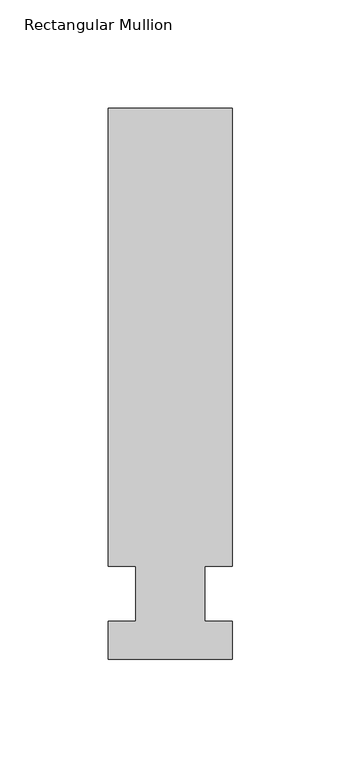
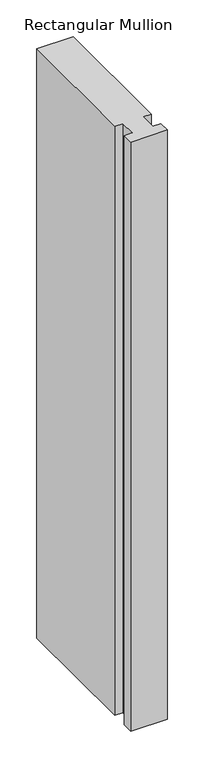
"""IFC4 building model written with IfcOpenShell, lengths in millimetres: member geometry, Rectangular Mullion."""

from ifc_helpers import new_model, si_unit, frame, origin, place, context, project, spatial, polyline, outline, extrude, source, transform, mapped, element, save


def rectangular_mullion_b766f8a1(model_context):
    return source(origin(), model_context, "Body", "SweptSolid", [
        extrude(outline(polyline([(28.575, 223.8375), (28.575, 12.7), (15.8732296, 12.7), (15.8732296, -12.7), (28.575, -12.7), (28.575, -30.1625), (-28.575, -30.1625), (-28.575, -12.7), (-15.875, -12.7), (-15.875, 12.7), (-28.575, 12.7), (-28.575, 223.8375), (28.575, 223.8375)])), frame((0.0, 0.0, -974.725), z_axis=(0.0, 0.0, 1.0), x_axis=(1.0, 0.0, 0.0)), (0.0, 0.0, 1.0), 974.725),
    ])


if __name__ == "__main__":
    model = new_model("IFC4")
    model_context = context("Model", 3, world=origin())
    ifc_project = project(units=[si_unit("LENGTHUNIT", "METRE", prefix="MILLI")], contexts=[model_context])
    site = spatial("IfcSite", under=ifc_project)
    building = spatial("IfcBuilding", under=site)
    placement = place(None, origin())
    rectangular_mullion_shape = rectangular_mullion_b766f8a1(model_context)
    element("IfcMember", 1, ObjectType="Rectangular Mullion", at=placement, inside=building, context=model_context, shape_type="MappedRepresentation", body=[
        mapped(rectangular_mullion_shape, transform((0.0, 0.0, 0.0), x_axis=(1.0, 0.0, 0.0), y_axis=(0.0, 1.0, 0.0), z_axis=(0.0, 0.0, 1.0))),
    ])
    save(model, "model.ifc")
